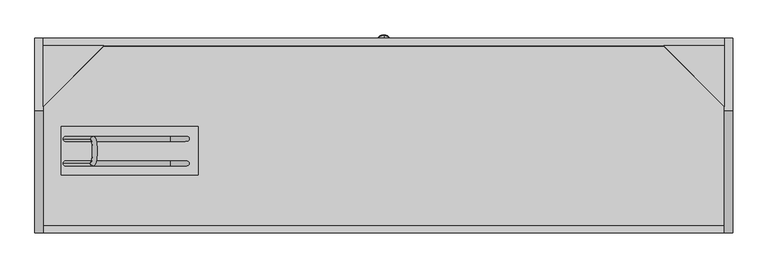
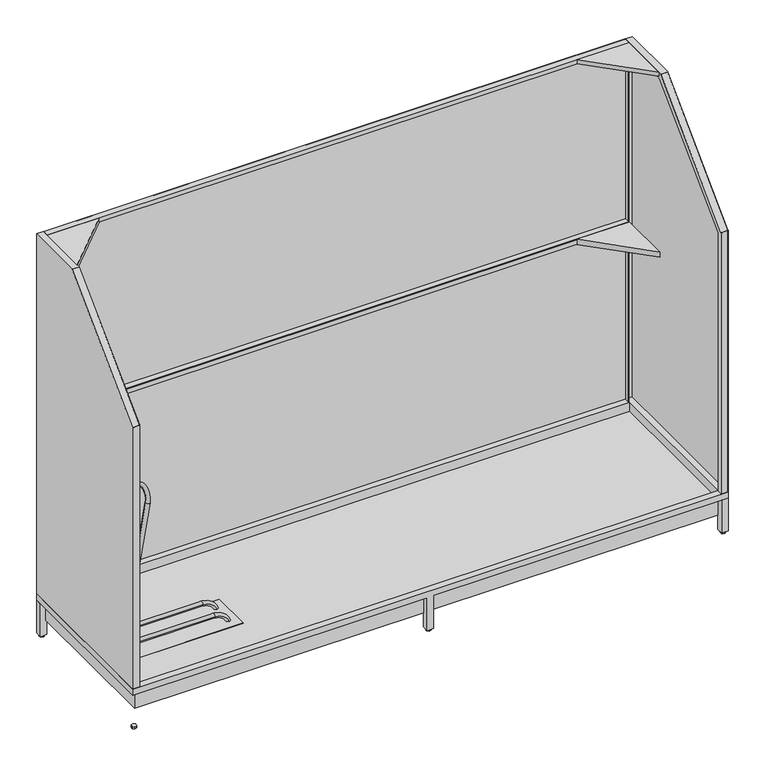
"""IFC4 building model written with IfcOpenShell, lengths in millimetres: proxy geometry."""

from ifc_helpers import new_model, si_unit, point, frame, frame_2d, origin, place, context, project, spatial, polyline, circle_curve, ellipse_curve, trimmed, segment, composite_curve, outline, extrude, faceted_brep, source, transform, mapped, element, save
from ifc_brep_helpers import plane_surface, cylinder_surface, revolved_surface, advanced_brep


def parking_732872c2(model_context):
    return source(origin(), model_context, "Body", "SolidModel", [
        extrude(outline(polyline([(-612.5, 29.0), (-612.5, -131.0), (-1062.5, -131.0), (-1062.5, 29.0), (-612.5, 29.0)])), frame((0.0, 0.0, 142.8), z_axis=(0.0, 0.0, 1.0), x_axis=(1.0, 0.0, 0.0)), (0.0, 0.0, 1.0), 1.0),
        faceted_brep([(1126.0050374, -298.9129636, 77.55), (1126.0050374, 296.0, 77.55), (1126.0050374, 296.0, 152.55), (1126.0050374, -298.9129636, 152.55), (-1129.1366571, -298.9129636, 77.55), (-1129.1366571, -298.9129636, 152.55), (-1129.1366571, 296.0, 152.55), (-1129.1366571, 296.0, 77.55), (12.5, -298.9129636, 77.55), (12.5, -296.5, 77.55), (-12.5, -296.5, 77.55), (-12.5, -298.9129636, 77.55), (-12.5, 296.0, 77.55), (-12.5, 295.0, 77.55), (12.5, 295.0, 77.55), (12.5, 296.0, 77.55), (12.5, 296.0, 152.55), (-12.5, 296.0, 152.55), (12.5, -298.9129636, 152.55), (-12.5, -298.9129636, 152.55), (-1125.0, 295.0, 141.8), (-1125.0, -296.5, 141.8), (-12.5, -296.5, 141.8), (12.5, -296.5, 141.8), (1125.0, -296.5, 141.8), (1125.0, 295.0, 141.8), (12.5, 295.0, 141.8), (-12.5, 295.0, 141.8), (-1125.0, 295.0, 177.55), (1125.0, 295.0, 177.55), (-1125.0, -296.5, 177.55), (1125.0, -296.5, 177.55), (12.5, 320.0, 152.55), (1150.0, 320.0, 152.55), (1150.0, -321.5, 152.55), (12.5, -321.5, 152.55), (-12.5, -321.5, 152.55), (-1150.0, -321.5, 152.55), (-1150.0, 320.0, 152.55), (-12.5, 320.0, 152.55), (1150.0, 320.0, 177.55), (-1150.0, 320.0, 177.55), (-1150.0, -321.5, 177.55), (1150.0, -321.5, 177.55), (12.5, 320.0, 17.9), (-12.5, 320.0, 17.9), (-12.5, -321.5, 17.9), (12.5, -321.5, 17.9), (12.5, 295.0, 17.9), (-12.5, 295.0, 17.9), (12.5, -296.5, 17.9), (-12.5, -296.5, 17.9)], [[[0, 1, 2, 3]], [[4, 5, 6, 7]], [[1, 0, 8, 9, 10, 11, 4, 7, 12, 13, 14, 15]], [[2, 1, 15, 16]], [[7, 6, 17, 12]], [[0, 3, 18, 8]], [[5, 4, 11, 19]], [[20, 21, 22, 23, 24, 25, 26, 27]], [[28, 20, 27, 26, 25, 29]], [[21, 20, 28, 30]], [[21, 30, 31, 24, 23, 22]], [[25, 24, 31, 29]], [[3, 2, 16, 32, 33, 34, 35, 18]], [[6, 5, 19, 36, 37, 38, 39, 17]], [[40, 41, 42, 43], [30, 28, 29, 31]], [[41, 38, 37, 42]], [[33, 40, 43, 34]], [[40, 33, 32, 44, 45, 39, 38, 41]], [[34, 43, 42, 37, 36, 46, 47, 35]], [[48, 49, 45, 44]], [[49, 48, 14, 13]], [[45, 49, 13, 12, 17, 39]], [[48, 44, 32, 16, 15, 14]], [[50, 47, 46, 51]], [[50, 51, 10, 9]], [[51, 46, 36, 19, 11, 10]], [[47, 50, 9, 8, 18, 35]]]),
        advanced_brep(
        [(-1056.5603415, -11.53125, 212.135368), (-1040.78779, -11.53125, 209.4471306), (-967.2604572, -11.53125, 736.0798122), (-951.4879057, -11.53125, 733.3915749), (-951.4879057, -92.53125, 733.3915749), (-967.2604572, -92.53125, 736.0798122), (-1056.5603415, -92.53125, 212.135368), (-1040.78779, -92.53125, 209.4471306)],
        [
            (0, 1, circle_curve(frame((-1048.6740658, -11.53125, 210.7912493), z_axis=(-0.16801483408379736, 0.0, -0.9857844670757366), x_axis=(0.9857844670757366, 0.0, -0.16801483408379736)), 8.0)),
            (1, 0, circle_curve(frame((-1048.6740658, -11.53125, 210.7912493), z_axis=(-0.16801483408379736, 0.0, -0.9857844670757366), x_axis=(0.9857844670757366, 0.0, -0.16801483408379736)), 8.0)),
            (0, 2),
            (2, 3, circle_curve(frame((-959.3741815, -11.53125, 734.7356935), z_axis=(-0.16801483408379736, 0.0, -0.9857844670757366), x_axis=(0.9857844670757366, 0.0, -0.16801483408379736)), 8.0)),
            (3, 1),
            (3, 2, circle_curve(frame((-959.3741815, -11.53125, 734.7356935), z_axis=(-0.16801483408379736, 0.0, -0.9857844670757366), x_axis=(0.9857844670757366, 0.0, -0.16801483408379736)), 8.0)),
            (4, 3, circle_curve(frame((-951.4879057, -52.03125, 733.3915749), z_axis=(-0.9857844670757366, 0.0, 0.16801483408379736), x_axis=(0.0, 1.0, 0.0)), 40.5)),
            (2, 5, circle_curve(frame((-967.2604572, -52.03125, 736.0798122), z_axis=(0.9857844670757366, 0.0, -0.16801483408379736), x_axis=(0.0, 1.0, 0.0)), 40.5)),
            (5, 4, circle_curve(frame((-959.3741815, -92.53125, 734.7356935), z_axis=(0.16801483408379736, 0.0, 0.9857844670757366), x_axis=(0.9857844670757366, 0.0, -0.16801483408379736)), 8.0)),
            (4, 5, circle_curve(frame((-959.3741815, -92.53125, 734.7356935), z_axis=(0.16801483408379736, 0.0, 0.9857844670757366), x_axis=(0.9857844670757366, 0.0, -0.16801483408379736)), 8.0)),
            (6, 7, circle_curve(frame((-1048.6740658, -92.53125, 210.7912493), z_axis=(-0.16801483408379733, 0.0, -0.9857844670757367), x_axis=(0.9857844670757367, 0.0, -0.16801483408379733)), 8.0)),
            (7, 6, circle_curve(frame((-1048.6740658, -92.53125, 210.7912493), z_axis=(-0.16801483408379733, 0.0, -0.9857844670757367), x_axis=(0.9857844670757367, 0.0, -0.16801483408379733)), 8.0)),
            (5, 6),
            (7, 4),
        ],
        [
            plane_surface(frame((-23.45822, -11.53125, 36.0558218), z_axis=(-0.16801483408379736, 0.0, -0.9857844670757366), x_axis=(0.9857844670757366, 0.0, -0.16801483408379736))),
            cylinder_surface(frame((-1048.6740658, -11.53125, 210.7912493), z_axis=(-0.16801483408379736, 0.0, -0.9857844670757366), x_axis=(0.9857844670757366, 0.0, -0.16801483408379736)), 8.0),
            revolved_surface(trimmed(ellipse_curve(frame((-959.3741815, -11.53125, 734.7356935), z_axis=(-0.16801483408379736, 0.0, -0.9857844670757366), x_axis=(0.9857844670757366, 0.0, -0.16801483408379736)), 8.0, 8.0), [point((-967.2604572, -11.53125, 736.0798122))], [point((-951.4879057, -11.53125, 733.3915749))], True, "CARTESIAN"), (65.8416643, -52.03125, 560.0002661), (0.9857844670757366, 0.0, -0.16801483408379736)),
            revolved_surface(trimmed(ellipse_curve(frame((-959.3741815, -11.53125, 734.7356935), z_axis=(-0.16801483408379736, 0.0, -0.9857844670757366), x_axis=(0.9857844670757366, 0.0, -0.16801483408379736)), 8.0, 8.0), [point((-951.4879057, -11.53125, 733.3915749))], [point((-967.2604572, -11.53125, 736.0798122))], True, "CARTESIAN"), (65.8416643, -52.03125, 560.0002661), (0.9857844670757366, 0.0, -0.16801483408379736)),
            plane_surface(frame((-23.45822, -92.53125, 36.0558218), z_axis=(-0.16801483408379733, 0.0, -0.9857844670757366), x_axis=(0.9857844670757366, 0.0, -0.16801483408379733))),
            cylinder_surface(frame((-959.3741815, -92.53125, 734.7356935), z_axis=(0.16801483408379733, 0.0, 0.9857844670757367), x_axis=(0.9857844670757367, 0.0, -0.16801483408379733)), 8.0),
        ],
        [
            (0, [[1, 2]]),
            (1, [[-1, 3, 4, 5]]),
            (1, [[-2, -5, 6, -3]]),
            (2, [[7, -4, 8, 9]]),
            (3, [[-8, -6, -7, 10]]),
            (4, [[11, 12]]),
            (5, [[-9, 13, -12, 14]]),
            (5, [[-10, -14, -11, -13]]),
        ],
    ),
        advanced_brep(
        [(-1019.6400513, -84.53125, 182.0343541), (-1019.6400513, -100.53125, 182.0343541), (-704.0812089, -84.53125, 182.0343541), (-704.0812089, -100.53125, 182.0343541), (-648.6864349, -84.53125, 143.8), (-648.6864349, -100.53125, 143.8)],
        [
            (0, 1, circle_curve(frame((-1019.6400513, -92.53125, 182.0343541), z_axis=(-1.0, 0.0, 0.0), x_axis=(0.0, -1.0, 0.0)), 8.0)),
            (1, 0, circle_curve(frame((-1019.6400513, -92.53125, 182.0343541), z_axis=(-1.0, 0.0, 0.0), x_axis=(0.0, -1.0, 0.0)), 8.0)),
            (0, 2),
            (2, 3, circle_curve(frame((-704.0812089, -92.53125, 182.0343541), z_axis=(-1.0, 0.0, 0.0), x_axis=(0.0, -1.0, 0.0)), 8.0)),
            (3, 1),
            (3, 2, circle_curve(frame((-704.0812089, -92.53125, 182.0343541), z_axis=(-1.0, 0.0, 0.0), x_axis=(0.0, -1.0, 0.0)), 8.0)),
            (4, 5, circle_curve(frame((-648.6864349, -92.53125, 143.8), z_axis=(0.3546482754530861, 0.0, -0.9349997864802708), x_axis=(0.0, -1.0, 0.0)), 8.0)),
            (5, 4, circle_curve(frame((-648.6864349, -92.53125, 143.8), z_axis=(0.3546482754530861, 0.0, -0.9349997864802708), x_axis=(0.0, -1.0, 0.0)), 8.0)),
            (5, 3, circle_curve(frame((-704.0812089, -100.53125, 122.788593), z_axis=(0.0, -1.0, 0.0), x_axis=(0.0, 0.0, 1.0)), 59.2457611)),
            (2, 4, circle_curve(frame((-704.0812089, -84.53125, 122.788593), z_axis=(0.0, 1.0, 0.0), x_axis=(0.0, 0.0, 1.0)), 59.2457611)),
        ],
        [
            plane_surface(frame((-1019.6400513, 0.0, 182.0343541), z_axis=(-1.0, 0.0, 0.0), x_axis=(0.0, -1.0, 0.0))),
            cylinder_surface(frame((-1019.6400513, -92.53125, 182.0343541), z_axis=(-1.0, 0.0, 0.0), x_axis=(0.0, -1.0, 0.0)), 8.0),
            plane_surface(frame((-648.6864349, 0.0, 143.8), z_axis=(0.35464827545308614, 0.0, -0.9349997864802708), x_axis=(0.0, -1.0, 0.0))),
            revolved_surface(trimmed(ellipse_curve(frame((-704.0812089, -92.53125, 182.0343541), z_axis=(-1.0, 0.0, 0.0), x_axis=(0.0, -1.0, 0.0)), 8.0, 8.0), [point((-704.0812089, -84.53125, 182.0343541))], [point((-704.0812089, -100.53125, 182.0343541))], True, "CARTESIAN"), (-704.0812089, 0.0, 122.788593), (0.0, 1.0, 0.0)),
            revolved_surface(trimmed(ellipse_curve(frame((-704.0812089, -92.53125, 182.0343541), z_axis=(-1.0, 0.0, 0.0), x_axis=(0.0, -1.0, 0.0)), 8.0, 8.0), [point((-704.0812089, -100.53125, 182.0343541))], [point((-704.0812089, -84.53125, 182.0343541))], True, "CARTESIAN"), (-704.0812089, 0.0, 122.788593), (0.0, 1.0, 0.0)),
        ],
        [
            (0, [[1, 2]]),
            (1, [[-1, 3, 4, 5]]),
            (1, [[-2, -5, 6, -3]]),
            (2, [[7, 8]]),
            (3, [[9, -4, 10, -8]]),
            (4, [[-10, -6, -9, -7]]),
        ],
    ),
        advanced_brep(
        [(-1019.6400513, -3.53125, 182.0343541), (-1019.6400513, -19.53125, 182.0343541), (-704.0812089, -3.53125, 182.0343541), (-704.0812089, -19.53125, 182.0343541), (-648.6864349, -3.53125, 143.8), (-648.6864349, -19.53125, 143.8)],
        [
            (0, 1, circle_curve(frame((-1019.6400513, -11.53125, 182.0343541), z_axis=(-1.0, 0.0, 0.0), x_axis=(0.0, -1.0, 0.0)), 8.0)),
            (1, 0, circle_curve(frame((-1019.6400513, -11.53125, 182.0343541), z_axis=(-1.0, 0.0, 0.0), x_axis=(0.0, -1.0, 0.0)), 8.0)),
            (0, 2),
            (2, 3, circle_curve(frame((-704.0812089, -11.53125, 182.0343541), z_axis=(-1.0, 0.0, 0.0), x_axis=(0.0, -1.0, 0.0)), 8.0)),
            (3, 1),
            (3, 2, circle_curve(frame((-704.0812089, -11.53125, 182.0343541), z_axis=(-1.0, 0.0, 0.0), x_axis=(0.0, -1.0, 0.0)), 8.0)),
            (4, 5, circle_curve(frame((-648.6864349, -11.53125, 143.8), z_axis=(0.3546482754530861, 0.0, -0.9349997864802708), x_axis=(0.0, -1.0, 0.0)), 8.0)),
            (5, 4, circle_curve(frame((-648.6864349, -11.53125, 143.8), z_axis=(0.3546482754530861, 0.0, -0.9349997864802708), x_axis=(0.0, -1.0, 0.0)), 8.0)),
            (5, 3, circle_curve(frame((-704.0812089, -19.53125, 122.788593), z_axis=(0.0, -1.0, 0.0), x_axis=(0.0, 0.0, 1.0)), 59.2457611)),
            (2, 4, circle_curve(frame((-704.0812089, -3.53125, 122.788593), z_axis=(0.0, 1.0, 0.0), x_axis=(0.0, 0.0, 1.0)), 59.2457611)),
        ],
        [
            plane_surface(frame((-1019.6400513, 0.0, 182.0343541), z_axis=(-1.0, 0.0, 0.0), x_axis=(0.0, -1.0, 0.0))),
            cylinder_surface(frame((-1019.6400513, -11.53125, 182.0343541), z_axis=(-1.0, 0.0, 0.0), x_axis=(0.0, -1.0, 0.0)), 8.0),
            plane_surface(frame((-648.6864349, 0.0, 143.8), z_axis=(0.35464827545308614, 0.0, -0.9349997864802708), x_axis=(0.0, -1.0, 0.0))),
            revolved_surface(trimmed(ellipse_curve(frame((-704.0812089, -11.53125, 182.0343541), z_axis=(-1.0, 0.0, 0.0), x_axis=(0.0, -1.0, 0.0)), 8.0, 8.0), [point((-704.0812089, -3.53125, 182.0343541))], [point((-704.0812089, -19.53125, 182.0343541))], True, "CARTESIAN"), (-704.0812089, 0.0, 122.788593), (0.0, 1.0, 0.0)),
            revolved_surface(trimmed(ellipse_curve(frame((-704.0812089, -11.53125, 182.0343541), z_axis=(-1.0, 0.0, 0.0), x_axis=(0.0, -1.0, 0.0)), 8.0, 8.0), [point((-704.0812089, -19.53125, 182.0343541))], [point((-704.0812089, -3.53125, 182.0343541))], True, "CARTESIAN"), (-704.0812089, 0.0, 122.788593), (0.0, 1.0, 0.0)),
        ],
        [
            (0, [[1, 2]]),
            (1, [[-1, 3, 4, 5]]),
            (1, [[-2, -5, 6, -3]]),
            (2, [[7, 8]]),
            (3, [[9, -4, 10, -8]]),
            (4, [[-10, -6, -9, -7]]),
        ],
    ),
        extrude(outline(polyline([(1125.0, 93.0), (923.0, 295.0), (1125.0, 295.0), (1125.0, 93.0)])), frame((0.0, 0.0, 893.55), z_axis=(0.0, 0.0, 1.0), x_axis=(1.0, 0.0, 0.0)), (0.0, 0.0, 1.0), 21.0),
        extrude(outline(polyline([(1123.0, 95.0), (923.0, 295.0), (1123.0, 295.0), (1123.0, 95.0)])), frame((0.0, 0.0, 1631.55), z_axis=(0.0, 0.0, 1.0), x_axis=(1.0, 0.0, 0.0)), (0.0, 0.0, 1.0), 16.0),
        extrude(outline(polyline([(-1125.0, 93.0), (-1125.0, 295.0), (-923.0, 295.0), (-1125.0, 93.0)])), frame((0.0, 0.0, 893.55), z_axis=(0.0, 0.0, 1.0), x_axis=(1.0, 0.0, 0.0)), (0.0, 0.0, 1.0), 21.0),
        extrude(outline(polyline([(-1123.0, 95.0), (-1123.0, 295.0), (-923.0, 295.0), (-1123.0, 95.0)])), frame((0.0, 0.0, 1631.55), z_axis=(0.0, 0.0, 1.0), x_axis=(1.0, 0.0, 0.0)), (0.0, 0.0, 1.0), 16.0),
        extrude(outline(composite_curve([segment(polyline([(320.0, 177.55), (319.0, 177.55), (319.0, 912.55), (296.0, 912.55)]), True, "CONTINUOUS"), segment(trimmed(circle_curve(frame_2d((297.0, 912.55)), 1.0), [point((296.0, 912.55))], [point((297.0, 913.55))], False, "CARTESIAN"), True, "CONTINUOUS"), segment(polyline([(297.0, 913.55), (320.0, 913.55), (320.0, 177.55)]), True, "CONTINUOUS")], self_intersect=False)), frame((-1123.0, 0.0, 0.0), z_axis=(1.0, 0.0, 0.0), x_axis=(0.0, 1.0, 0.0)), (0.0, 0.0, 1.0), 2246.0),
        extrude(outline(composite_curve([segment(polyline([(295.0, 1647.55), (320.0, 1647.55), (320.0, 913.55), (297.0, 913.55)]), True, "CONTINUOUS"), segment(trimmed(circle_curve(frame_2d((297.0, 912.55)), 1.0), [point((297.0, 913.55))], [point((296.0, 912.55))], True, "CARTESIAN"), True, "CONTINUOUS"), segment(polyline([(296.0, 912.55), (296.0, 893.55), (295.0, 893.55), (295.0, 912.55)]), True, "CONTINUOUS"), segment(trimmed(circle_curve(frame_2d((297.0, 912.55)), 2.0), [point((295.0, 912.55))], [point((297.0, 914.55))], False, "CARTESIAN"), True, "CONTINUOUS"), segment(polyline([(297.0, 914.55), (319.0, 914.55), (319.0, 1645.55)]), True, "CONTINUOUS"), segment(trimmed(circle_curve(frame_2d((318.0, 1645.55)), 1.0), [point((319.0, 1645.55))], [point((318.0, 1646.55))], True, "CARTESIAN"), True, "CONTINUOUS"), segment(polyline([(318.0, 1646.55), (297.0, 1646.55)]), True, "CONTINUOUS"), segment(trimmed(circle_curve(frame_2d((297.0, 1645.55)), 1.0), [point((297.0, 1646.55))], [point((296.0, 1645.55))], True, "CARTESIAN"), True, "CONTINUOUS"), segment(polyline([(296.0, 1645.55), (296.0, 1631.55), (295.0, 1631.55), (295.0, 1647.55)]), True, "CONTINUOUS")], self_intersect=False)), frame((-1123.0, 0.0, 0.0), z_axis=(1.0, 0.0, 0.0), x_axis=(0.0, 1.0, 0.0)), (0.0, 0.0, 1.0), 2246.0),
        advanced_brep(
        [(1149.0, 319.0, 177.55), (1149.0, -320.5, 177.55), (1149.0, -320.5, 1244.7083364), (1149.0, -320.2057985, 1245.416749), (1149.0, 82.1204638, 1646.2584126), (1149.0, 82.8262624, 1646.55), (1149.0, 319.0, 1646.55), (1150.0, 320.0, 1647.55), (1150.0, 82.4131312, 1647.55), (1150.0, 81.7073327, 1647.2584126), (1150.0, -321.2057985, 1245.8320457), (1150.0, -321.5, 1245.1236331), (1150.0, -321.5, 177.55), (1150.0, 320.0, 177.55), (1124.0, 320.0, 1647.55), (1123.0, 320.0, 1647.55), (1123.0, 82.4131312, 1647.55), (1124.0, 82.4131312, 1647.55), (1149.0, 82.4131312, 1647.55), (1149.0, 81.7073327, 1647.2584126), (1124.0, 81.7073327, 1647.2584126), (1123.0, 81.7073327, 1647.2584126), (1123.0, -321.2057985, 1245.8320457), (1124.0, -321.2057985, 1245.8320457), (1149.0, -321.2057985, 1245.8320457), (1149.0, -321.5, 1245.1236331), (1123.0, -321.5, 177.55), (1124.0, -321.5, 1245.1236331), (1123.0, -321.5, 1245.1236331), (1123.0, -302.5, 177.55), (1124.0, -302.5, 177.55), (1124.0, -320.5, 177.55), (1124.0, 319.0, 177.55), (1124.0, 298.0, 177.55), (1123.0, 298.0, 177.55), (1123.0, 320.0, 177.55), (1123.0, 298.0, 1625.4792893), (1123.0, 91.5020174, 1625.55), (1123.0, 90.7962189, 1625.2584126), (1123.0, -302.2057985, 1233.7065871), (1123.0, -302.5, 1232.9981745), (1124.0, -320.5, 1244.7083364), (1124.0, -320.2057985, 1245.416749), (1124.0, 82.1204638, 1646.2584126), (1124.0, 82.8262624, 1646.55), (1124.0, 319.0, 1646.55), (1124.0, -302.5, 1232.9981745), (1124.0, -302.2057985, 1233.7065871), (1124.0, 90.7962189, 1625.2584126), (1124.0, 91.5020174, 1625.55), (1124.0, 297.9292893, 1625.55)],
        [
            (0, 1),
            (1, 2),
            (2, 3, circle_curve(frame((1149.0, -319.5, 1244.7083364), z_axis=(-1.0, 0.0, 0.0), x_axis=(0.0, -1.0, 0.0)), 1.0)),
            (3, 4),
            (4, 5, circle_curve(frame((1149.0, 82.8262624, 1645.55), z_axis=(-1.0, 0.0, 0.0), x_axis=(0.0, -1.0, 0.0)), 1.0)),
            (5, 6),
            (6, 0),
            (7, 8),
            (8, 9, circle_curve(frame((1150.0, 82.4131312, 1646.55), z_axis=(1.0, 0.0, 0.0), x_axis=(0.0, -1.0, 0.0)), 1.0)),
            (9, 10),
            (10, 11, circle_curve(frame((1150.0, -320.5, 1245.1236331), z_axis=(1.0, 0.0, 0.0), x_axis=(0.0, -1.0, 0.0)), 1.0)),
            (11, 12),
            (12, 13),
            (13, 7),
            (7, 14),
            (14, 15),
            (15, 16),
            (16, 17),
            (17, 18),
            (18, 8),
            (18, 19, circle_curve(frame((1149.0, 82.4131312, 1646.55), z_axis=(1.0, 0.0, 0.0), x_axis=(0.0, -1.0, 0.0)), 1.0)),
            (19, 9),
            (19, 20),
            (20, 21),
            (21, 22),
            (22, 23),
            (23, 24),
            (24, 10),
            (24, 25, circle_curve(frame((1149.0, -320.5, 1245.1236331), z_axis=(1.0, 0.0, 0.0), x_axis=(0.0, -1.0, 0.0)), 1.0)),
            (25, 11),
            (26, 12),
            (25, 27),
            (27, 28),
            (28, 26),
            (26, 29),
            (29, 30),
            (30, 31),
            (31, 1),
            (0, 32),
            (32, 33),
            (33, 34),
            (34, 35),
            (35, 13),
            (35, 15),
            (34, 36),
            (36, 37),
            (37, 38, circle_curve(frame((1123.0, 91.5020174, 1624.55), z_axis=(1.0, 0.0, 0.0), x_axis=(0.0, -1.0, 0.0)), 1.0)),
            (38, 39),
            (39, 40, circle_curve(frame((1123.0, -301.5, 1232.9981745), z_axis=(1.0, 0.0, 0.0), x_axis=(0.0, -1.0, 0.0)), 1.0)),
            (40, 29),
            (28, 22, circle_curve(frame((1123.0, -320.5, 1245.1236331), z_axis=(-1.0, 0.0, 0.0), x_axis=(0.0, -1.0, 0.0)), 1.0)),
            (21, 16, circle_curve(frame((1123.0, 82.4131312, 1646.55), z_axis=(-1.0, 0.0, 0.0), x_axis=(0.0, -1.0, 0.0)), 1.0)),
            (31, 41),
            (41, 2),
            (3, 42),
            (42, 43),
            (43, 4),
            (5, 44),
            (44, 45),
            (45, 6),
            (45, 32),
            (41, 42, circle_curve(frame((1124.0, -319.5, 1244.7083364), z_axis=(-1.0, 0.0, 0.0), x_axis=(0.0, -1.0, 0.0)), 1.0)),
            (43, 44, circle_curve(frame((1124.0, 82.8262624, 1645.55), z_axis=(-1.0, 0.0, 0.0), x_axis=(0.0, -1.0, 0.0)), 1.0)),
            (30, 46),
            (46, 47, circle_curve(frame((1124.0, -301.5, 1232.9981745), z_axis=(-1.0, 0.0, 0.0), x_axis=(0.0, -1.0, 0.0)), 1.0)),
            (47, 48),
            (48, 49, circle_curve(frame((1124.0, 91.5020174, 1624.55), z_axis=(-1.0, 0.0, 0.0), x_axis=(0.0, -1.0, 0.0)), 1.0)),
            (49, 50),
            (50, 33),
            (40, 46),
            (39, 47),
            (38, 48),
            (37, 49),
            (36, 50),
        ],
        [
            plane_surface(frame((1149.0, 320.0, 177.55), z_axis=(-1.0, 0.0, 0.0), x_axis=(0.0, 0.0, -1.0))),
            plane_surface(frame((1150.0, 320.0, 177.55), z_axis=(1.0, 0.0, 0.0), x_axis=(0.0, 0.0, 1.0))),
            plane_surface(frame((1149.0, 82.4131312, 1647.55), z_axis=(0.0, 0.0, 1.0), x_axis=(1.0, 0.0, 0.0))),
            cylinder_surface(frame((1150.0, 82.4131312, 1646.55), z_axis=(-1.0, 0.0, 0.0), x_axis=(0.0, -1.0, 0.0)), 1.0),
            plane_surface(frame((1149.0, -321.2057985, 1245.8320457), z_axis=(0.0, -0.7057985388763649, 0.708412607538847), x_axis=(1.0, 0.0, 0.0))),
            cylinder_surface(frame((1150.0, -320.5, 1245.1236331), z_axis=(-1.0, 0.0, 0.0), x_axis=(0.0, -1.0, 0.0)), 1.0),
            plane_surface(frame((1149.0, -321.5, 177.55), z_axis=(0.0, -1.0, 0.0), x_axis=(1.0, 0.0, 0.0))),
            plane_surface(frame((1149.0, 320.0, 177.55), z_axis=(0.0, 0.0, -1.0), x_axis=(1.0, 0.0, 0.0))),
            plane_surface(frame((1149.0, 320.0, 1647.55), z_axis=(0.0, 1.0, 0.0), x_axis=(1.0, 0.0, 0.0))),
            plane_surface(frame((1123.0, 320.0, 177.55), z_axis=(-1.0, 0.0, 0.0), x_axis=(0.0, 0.0, -1.0))),
            cylinder_surface(frame((1149.0, 82.4131312, 1646.55), z_axis=(-1.0, 0.0, 0.0), x_axis=(0.0, -1.0, 0.0)), 1.0),
            cylinder_surface(frame((1149.0, -320.5, 1245.1236331), z_axis=(-1.0, 0.0, 0.0), x_axis=(0.0, -1.0, 0.0)), 1.0),
            plane_surface(frame((1123.0, -320.5, 1244.7083364), z_axis=(0.0, 1.0, 0.0), x_axis=(1.0, 0.0, 0.0))),
            plane_surface(frame((1123.0, 82.1204638, 1646.2584126), z_axis=(0.0, 0.7057985388763649, -0.7084126075388469), x_axis=(1.0, 0.0, 0.0))),
            plane_surface(frame((1123.0, 319.0, 1646.55), z_axis=(0.0, 0.0, -1.0), x_axis=(1.0, 0.0, 0.0))),
            plane_surface(frame((1123.0, 319.0, 177.55), z_axis=(0.0, -1.0, 0.0), x_axis=(1.0, 0.0, 0.0))),
            revolved_surface(polyline([(1149.0, -320.5, 1244.7083364), (1124.0, -320.5, 1244.7083364)]), (1149.0, -319.5, 1244.7083364), (1.0, 0.0, 0.0)),
            revolved_surface(polyline([(1149.0, 81.8262624, 1645.55), (1124.0, 81.8262624, 1645.55)]), (1149.0, 82.8262624, 1645.55), (1.0, 0.0, 0.0)),
            plane_surface(frame((1124.0, 320.0, 177.55), z_axis=(1.0, 0.0, 0.0), x_axis=(0.0, 0.0, 1.0))),
            plane_surface(frame((1123.0, -302.5, 1232.9981745), z_axis=(0.0, 1.0, 0.0), x_axis=(1.0, 0.0, 0.0))),
            revolved_surface(polyline([(1124.0, -302.5, 1232.9981745), (1123.0, -302.5, 1232.9981745)]), (1124.0, -301.5, 1232.9981745), (1.0, 0.0, 0.0)),
            plane_surface(frame((1123.0, 90.7962189, 1625.2584126), z_axis=(0.0, 0.705798538876356, -0.7084126075388558), x_axis=(1.0, 0.0, 0.0))),
            revolved_surface(polyline([(1124.0, 90.5020174, 1624.55), (1123.0, 90.5020174, 1624.55)]), (1124.0, 91.5020174, 1624.55), (1.0, 0.0, 0.0)),
            plane_surface(frame((1123.0, 297.9292893, 1625.55), z_axis=(0.0, 0.0, -1.0), x_axis=(1.0, 0.0, 0.0))),
            plane_surface(frame((1123.0, 298.0, 177.55), z_axis=(0.0, -1.0, 0.0), x_axis=(1.0, 0.0, 0.0))),
        ],
        [
            (0, [[1, 2, 3, 4, 5, 6, 7]]),
            (1, [[8, 9, 10, 11, 12, 13, 14]]),
            (2, [[-8, 15, 16, 17, 18, 19, 20]]),
            (3, [[-9, -20, 21, 22]]),
            (4, [[-10, -22, 23, 24, 25, 26, 27, 28]]),
            (5, [[-11, -28, 29, 30]]),
            (6, [[31, -12, -30, 32, 33, 34]]),
            (7, [[-13, -31, 35, 36, 37, 38, -1, 39, 40, 41, 42, 43]]),
            (8, [[-14, -43, 44, -16, -15]]),
            (9, [[-44, -42, 45, 46, 47, 48, 49, 50, -35, -34, 51, -25, 52, -17]]),
            (10, [[-52, -24, -23, -21, -19, -18]]),
            (11, [[-51, -33, -32, -29, -27, -26]]),
            (12, [[-2, -38, 53, 54]]),
            (13, [[-4, 55, 56, 57]]),
            (14, [[-6, 58, 59, 60]]),
            (15, [[-7, -60, 61, -39]]),
            (16, [[-3, -54, 62, -55]]),
            (17, [[-5, -57, 63, -58]]),
            (18, [[64, 65, 66, 67, 68, 69, -40, -61, -59, -63, -56, -62, -53, -37]]),
            (19, [[-50, 70, -64, -36]]),
            (20, [[-49, 71, -65, -70]]),
            (21, [[-48, 72, -66, -71]]),
            (22, [[-47, 73, -67, -72]]),
            (23, [[-46, 74, -68, -73]]),
            (24, [[-45, -41, -69, -74]]),
        ],
    ),
        advanced_brep(
        [(-1149.0, -320.5, 177.55), (-1149.0, 319.0, 177.55), (-1149.0, 319.0, 1646.55), (-1149.0, 82.8262624, 1646.55), (-1149.0, 82.1204638, 1646.2584126), (-1149.0, -320.2057985, 1245.416749), (-1149.0, -320.5, 1244.7083364), (-1150.0, 320.0, 1647.55), (-1150.0, 320.0, 177.55), (-1150.0, -321.5, 177.55), (-1150.0, -321.5, 1245.1236331), (-1150.0, -321.2057985, 1245.8320457), (-1150.0, 81.7073327, 1647.2584126), (-1150.0, 82.4131312, 1647.55), (-1149.0, 82.4131312, 1647.55), (-1124.0, 82.4131312, 1647.55), (-1123.0, 82.4131312, 1647.55), (-1123.0, 320.0, 1647.55), (-1124.0, 320.0, 1647.55), (-1149.0, 81.7073327, 1647.2584126), (-1149.0, -321.2057985, 1245.8320457), (-1124.0, -321.2057985, 1245.8320457), (-1123.0, -321.2057985, 1245.8320457), (-1123.0, 81.7073327, 1647.2584126), (-1124.0, 81.7073327, 1647.2584126), (-1149.0, -321.5, 1245.1236331), (-1123.0, -321.5, 177.55), (-1123.0, -321.5, 1245.1236331), (-1124.0, -321.5, 1245.1236331), (-1123.0, 320.0, 177.55), (-1123.0, 298.0, 177.55), (-1124.0, 298.0, 177.55), (-1124.0, 319.0, 177.55), (-1124.0, -320.5, 177.55), (-1124.0, -302.5, 177.55), (-1123.0, -302.5, 177.55), (-1123.0, -302.5, 1232.9981745), (-1123.0, -302.2057985, 1233.7065871), (-1123.0, 90.7962189, 1625.2584126), (-1123.0, 91.5020174, 1625.55), (-1123.0, 297.9292893, 1625.55), (-1124.0, -320.5, 1244.7083364), (-1124.0, 82.1204638, 1646.2584126), (-1124.0, -320.2057985, 1245.416749), (-1124.0, 319.0, 1646.55), (-1124.0, 82.8262624, 1646.55), (-1124.0, 298.0, 1625.4792893), (-1124.0, 91.5020174, 1625.55), (-1124.0, 90.7962189, 1625.2584126), (-1124.0, -302.2057985, 1233.7065871), (-1124.0, -302.5, 1232.9981745)],
        [
            (0, 1),
            (1, 2),
            (2, 3),
            (3, 4, circle_curve(frame((-1149.0, 82.8262624, 1645.55), z_axis=(1.0, 0.0, 0.0), x_axis=(0.0, -1.0, 0.0)), 1.0)),
            (4, 5),
            (5, 6, circle_curve(frame((-1149.0, -319.5, 1244.7083364), z_axis=(1.0, 0.0, 0.0), x_axis=(0.0, -1.0, 0.0)), 1.0)),
            (6, 0),
            (7, 8),
            (8, 9),
            (9, 10),
            (10, 11, circle_curve(frame((-1150.0, -320.5, 1245.1236331), z_axis=(-1.0, 0.0, 0.0), x_axis=(0.0, -1.0, 0.0)), 1.0)),
            (11, 12),
            (12, 13, circle_curve(frame((-1150.0, 82.4131312, 1646.55), z_axis=(-1.0, 0.0, 0.0), x_axis=(0.0, -1.0, 0.0)), 1.0)),
            (13, 7),
            (13, 14),
            (14, 15),
            (15, 16),
            (16, 17),
            (17, 18),
            (18, 7),
            (12, 19),
            (19, 14, circle_curve(frame((-1149.0, 82.4131312, 1646.55), z_axis=(-1.0, 0.0, 0.0), x_axis=(0.0, -1.0, 0.0)), 1.0)),
            (11, 20),
            (20, 21),
            (21, 22),
            (22, 23),
            (23, 24),
            (24, 19),
            (10, 25),
            (25, 20, circle_curve(frame((-1149.0, -320.5, 1245.1236331), z_axis=(-1.0, 0.0, 0.0), x_axis=(0.0, -1.0, 0.0)), 1.0)),
            (9, 26),
            (26, 27),
            (27, 28),
            (28, 25),
            (8, 29),
            (29, 30),
            (30, 31),
            (31, 32),
            (32, 1),
            (0, 33),
            (33, 34),
            (34, 35),
            (35, 26),
            (17, 29),
            (16, 23, circle_curve(frame((-1123.0, 82.4131312, 1646.55), z_axis=(1.0, 0.0, 0.0), x_axis=(0.0, -1.0, 0.0)), 1.0)),
            (22, 27, circle_curve(frame((-1123.0, -320.5, 1245.1236331), z_axis=(1.0, 0.0, 0.0), x_axis=(0.0, -1.0, 0.0)), 1.0)),
            (35, 36),
            (36, 37, circle_curve(frame((-1123.0, -301.5, 1232.9981745), z_axis=(-1.0, 0.0, 0.0), x_axis=(0.0, -1.0, 0.0)), 1.0)),
            (37, 38),
            (38, 39, circle_curve(frame((-1123.0, 91.5020174, 1624.55), z_axis=(-1.0, 0.0, 0.0), x_axis=(0.0, -1.0, 0.0)), 1.0)),
            (39, 40),
            (40, 30),
            (6, 41),
            (41, 33),
            (4, 42),
            (42, 43),
            (43, 5),
            (2, 44),
            (44, 45),
            (45, 3),
            (32, 44),
            (43, 41, circle_curve(frame((-1124.0, -319.5, 1244.7083364), z_axis=(1.0, 0.0, 0.0), x_axis=(0.0, -1.0, 0.0)), 1.0)),
            (45, 42, circle_curve(frame((-1124.0, 82.8262624, 1645.55), z_axis=(1.0, 0.0, 0.0), x_axis=(0.0, -1.0, 0.0)), 1.0)),
            (31, 46),
            (46, 47),
            (47, 48, circle_curve(frame((-1124.0, 91.5020174, 1624.55), z_axis=(1.0, 0.0, 0.0), x_axis=(0.0, -1.0, 0.0)), 1.0)),
            (48, 49),
            (49, 50, circle_curve(frame((-1124.0, -301.5, 1232.9981745), z_axis=(1.0, 0.0, 0.0), x_axis=(0.0, -1.0, 0.0)), 1.0)),
            (50, 34),
            (50, 36),
            (49, 37),
            (48, 38),
            (47, 39),
            (46, 40),
        ],
        [
            plane_surface(frame((-1149.0, 318.9292893, 1647.55), z_axis=(1.0, 0.0, 0.0), x_axis=(0.0, -1.0, 0.0))),
            plane_surface(frame((-1150.0, 318.9292893, 1647.55), z_axis=(-1.0, 0.0, 0.0), x_axis=(0.0, 1.0, 0.0))),
            plane_surface(frame((-1149.0, 320.0, 1647.55), z_axis=(0.0, 0.0, 1.0), x_axis=(-1.0, 0.0, 0.0))),
            cylinder_surface(frame((-1150.0, 82.4131312, 1646.55), z_axis=(1.0, 0.0, 0.0), x_axis=(0.0, -1.0, 0.0)), 1.0),
            plane_surface(frame((-1149.0, 81.7073327, 1647.2584126), z_axis=(0.0, -0.7057985388763649, 0.708412607538847), x_axis=(-1.0, 0.0, 0.0))),
            cylinder_surface(frame((-1150.0, -320.5, 1245.1236331), z_axis=(1.0, 0.0, 0.0), x_axis=(0.0, -1.0, 0.0)), 1.0),
            plane_surface(frame((-1149.0, -321.5, 1245.1236331), z_axis=(0.0, -1.0, 0.0), x_axis=(-1.0, 0.0, 0.0))),
            plane_surface(frame((-1149.0, -321.5, 177.55), z_axis=(0.0, 0.0, -1.0), x_axis=(-1.0, 0.0, 0.0))),
            plane_surface(frame((-1149.0, 320.0, 177.55), z_axis=(0.0, 1.0, 0.0), x_axis=(-1.0, 0.0, 0.0))),
            plane_surface(frame((-1123.0, 318.9292893, 1647.55), z_axis=(1.0, 0.0, 0.0), x_axis=(0.0, -1.0, 0.0))),
            cylinder_surface(frame((-1149.0, 82.4131312, 1646.55), z_axis=(1.0, 0.0, 0.0), x_axis=(0.0, -1.0, 0.0)), 1.0),
            cylinder_surface(frame((-1149.0, -320.5, 1245.1236331), z_axis=(1.0, 0.0, 0.0), x_axis=(0.0, -1.0, 0.0)), 1.0),
            plane_surface(frame((-1123.0, -320.5, 177.55), z_axis=(0.0, 1.0, 0.0), x_axis=(-1.0, 0.0, 0.0))),
            plane_surface(frame((-1123.0, -320.2057985, 1245.416749), z_axis=(0.0, 0.7057985388763649, -0.7084126075388469), x_axis=(-1.0, 0.0, 0.0))),
            plane_surface(frame((-1123.0, 82.8262624, 1646.55), z_axis=(0.0, 0.0, -1.0), x_axis=(-1.0, 0.0, 0.0))),
            plane_surface(frame((-1123.0, 319.0, 1646.55), z_axis=(0.0, -1.0, 0.0), x_axis=(-1.0, 0.0, 0.0))),
            revolved_surface(polyline([(-1149.0, -320.5, 1244.7083364), (-1124.0, -320.5, 1244.7083364)]), (-1149.0, -319.5, 1244.7083364), (-1.0, 0.0, 0.0)),
            revolved_surface(polyline([(-1149.0, 81.8262624, 1645.55), (-1124.0, 81.8262624, 1645.55)]), (-1149.0, 82.8262624, 1645.55), (-1.0, 0.0, 0.0)),
            plane_surface(frame((-1124.0, 318.9292893, 1647.55), z_axis=(-1.0, 0.0, 0.0), x_axis=(0.0, 1.0, 0.0))),
            plane_surface(frame((-1123.0, -302.5, 177.55), z_axis=(0.0, 1.0, 0.0), x_axis=(-1.0, 0.0, 0.0))),
            revolved_surface(polyline([(-1124.0, -302.5, 1232.9981745), (-1123.0, -302.5, 1232.9981745)]), (-1124.0, -301.5, 1232.9981745), (-1.0, 0.0, 0.0)),
            plane_surface(frame((-1123.0, -302.2057985, 1233.7065871), z_axis=(0.0, 0.705798538876356, -0.7084126075388558), x_axis=(-1.0, 0.0, 0.0))),
            revolved_surface(polyline([(-1124.0, 90.5020174, 1624.55), (-1123.0, 90.5020174, 1624.55)]), (-1124.0, 91.5020174, 1624.55), (-1.0, 0.0, 0.0)),
            plane_surface(frame((-1123.0, 91.5020174, 1625.55), z_axis=(0.0, 0.0, -1.0), x_axis=(-1.0, 0.0, 0.0))),
            plane_surface(frame((-1123.0, 298.0, 1625.4792893), z_axis=(0.0, -1.0, 0.0), x_axis=(-1.0, 0.0, 0.0))),
        ],
        [
            (0, [[1, 2, 3, 4, 5, 6, 7]]),
            (1, [[8, 9, 10, 11, 12, 13, 14]]),
            (2, [[-14, 15, 16, 17, 18, 19, 20]]),
            (3, [[-13, 21, 22, -15]]),
            (4, [[-12, 23, 24, 25, 26, 27, 28, -21]]),
            (5, [[-11, 29, 30, -23]]),
            (6, [[-10, 31, 32, 33, 34, -29]]),
            (7, [[-9, 35, 36, 37, 38, 39, -1, 40, 41, 42, 43, -31]]),
            (8, [[-35, -8, -20, -19, 44]]),
            (9, [[-18, 45, -26, 46, -32, -43, 47, 48, 49, 50, 51, 52, -36, -44]]),
            (10, [[-45, -17, -16, -22, -28, -27]]),
            (11, [[-46, -25, -24, -30, -34, -33]]),
            (12, [[-7, 53, 54, -40]]),
            (13, [[-5, 55, 56, 57]]),
            (14, [[-3, 58, 59, 60]]),
            (15, [[-2, -39, 61, -58]]),
            (16, [[-6, -57, 62, -53]]),
            (17, [[-4, -60, 63, -55]]),
            (18, [[64, 65, 66, 67, 68, 69, -41, -54, -62, -56, -63, -59, -61, -38]]),
            (19, [[-47, -42, -69, 70]]),
            (20, [[-48, -70, -68, 71]]),
            (21, [[-49, -71, -67, 72]]),
            (22, [[-50, -72, -66, 73]]),
            (23, [[-51, -73, -65, 74]]),
            (24, [[-52, -74, -64, -37]]),
        ],
    ),
        extrude(outline(composite_curve([segment(polyline([(1144.4102819, 300.9236786), (1136.2428886, 298.0438025)]), True, "CONTINUOUS"), segment(trimmed(circle_curve(frame_2d((1135.9103491, 298.9868919)), 1.0), [point((1136.2428886, 298.0438025))], [point((1135.2598795, 298.2273596))], False, "CARTESIAN"), True, "CONTINUOUS"), segment(polyline([(1135.2598795, 298.2273596), (1128.682137, 303.8605917)]), True, "CONTINUOUS"), segment(trimmed(circle_curve(frame_2d((1129.3326067, 304.620124)), 1.0), [point((1128.682137, 303.8605917))], [point((1128.3495976, 304.803681))], False, "CARTESIAN"), True, "CONTINUOUS"), segment(polyline([(1128.3495976, 304.803681), (1129.9392485, 313.3167892)]), True, "CONTINUOUS"), segment(trimmed(circle_curve(frame_2d((1130.9222575, 313.1332321)), 1.0), [point((1129.9392485, 313.3167892))], [point((1130.5897181, 314.0763214))], False, "CARTESIAN"), True, "CONTINUOUS"), segment(polyline([(1130.5897181, 314.0763214), (1138.7571114, 316.9561975)]), True, "CONTINUOUS"), segment(trimmed(circle_curve(frame_2d((1139.0896509, 316.0131081)), 1.0), [point((1138.7571114, 316.9561975))], [point((1139.7401205, 316.7726404))], False, "CARTESIAN"), True, "CONTINUOUS"), segment(polyline([(1139.7401205, 316.7726404), (1146.317863, 311.1394083)]), True, "CONTINUOUS"), segment(trimmed(circle_curve(frame_2d((1145.6673933, 310.379876)), 1.0), [point((1146.317863, 311.1394083))], [point((1146.6504024, 310.196319))], False, "CARTESIAN"), True, "CONTINUOUS"), segment(polyline([(1146.6504024, 310.196319), (1145.0607515, 301.6832108)]), True, "CONTINUOUS"), segment(trimmed(circle_curve(frame_2d((1144.0777425, 301.8667679)), 1.0), [point((1145.0607515, 301.6832108))], [point((1144.4102819, 300.9236786))], False, "CARTESIAN"), True, "CONTINUOUS")], self_intersect=False)), frame((0.0, 0.0, 10.0), z_axis=(0.0, 0.0, 1.0), x_axis=(1.0, 0.0, 0.0)), (0.0, 0.0, 1.0), 7.9),
        extrude(outline(polyline([(1125.0, 295.0), (1125.0, 320.0), (1150.0, 320.0), (1150.0, 295.0), (1125.0, 295.0)])), frame((0.0, 0.0, 17.9), z_axis=(0.0, 0.0, 1.0), x_axis=(1.0, 0.0, 0.0)), (0.0, 0.0, 1.0), 134.65),
        extrude(outline(composite_curve([segment(trimmed(circle_curve(frame_2d((-6.5777425, 301.8667679)), 1.0), [point((-6.9102819, 300.9236786))], [point((-7.5607515, 301.6832108))], False, "CARTESIAN"), True, "CONTINUOUS"), segment(polyline([(-7.5607515, 301.6832108), (-9.1504024, 310.196319)]), True, "CONTINUOUS"), segment(trimmed(circle_curve(frame_2d((-8.1673933, 310.379876)), 1.0), [point((-9.1504024, 310.196319))], [point((-8.817863, 311.1394083))], False, "CARTESIAN"), True, "CONTINUOUS"), segment(polyline([(-8.817863, 311.1394083), (-2.2401205, 316.7726404)]), True, "CONTINUOUS"), segment(trimmed(circle_curve(frame_2d((-1.5896509, 316.0131081)), 1.0), [point((-2.2401205, 316.7726404))], [point((-1.2571114, 316.9561975))], False, "CARTESIAN"), True, "CONTINUOUS"), segment(polyline([(-1.2571114, 316.9561975), (6.9102819, 314.0763214)]), True, "CONTINUOUS"), segment(trimmed(circle_curve(frame_2d((6.5777425, 313.1332321)), 1.0), [point((6.9102819, 314.0763214))], [point((7.5607515, 313.3167892))], False, "CARTESIAN"), True, "CONTINUOUS"), segment(polyline([(7.5607515, 313.3167892), (9.1504024, 304.803681)]), True, "CONTINUOUS"), segment(trimmed(circle_curve(frame_2d((8.1673933, 304.620124)), 1.0), [point((9.1504024, 304.803681))], [point((8.817863, 303.8605917))], False, "CARTESIAN"), True, "CONTINUOUS"), segment(polyline([(8.817863, 303.8605917), (2.2401205, 298.2273596)]), True, "CONTINUOUS"), segment(trimmed(circle_curve(frame_2d((1.5896509, 298.9868919)), 1.0), [point((2.2401205, 298.2273596))], [point((1.2571114, 298.0438025))], False, "CARTESIAN"), True, "CONTINUOUS"), segment(polyline([(1.2571114, 298.0438025), (-6.9102819, 300.9236786)]), True, "CONTINUOUS")], self_intersect=False)), frame((0.0, 0.0, 10.0), z_axis=(0.0, 0.0, 1.0), x_axis=(1.0, 0.0, 0.0)), (0.0, 0.0, 1.0), 7.9),
        extrude(outline(composite_curve([segment(trimmed(circle_curve(frame_2d((-1144.0777425, 301.8667679)), 1.0), [point((-1144.4102819, 300.9236786))], [point((-1145.0607515, 301.6832108))], False, "CARTESIAN"), True, "CONTINUOUS"), segment(polyline([(-1145.0607515, 301.6832108), (-1146.6504024, 310.196319)]), True, "CONTINUOUS"), segment(trimmed(circle_curve(frame_2d((-1145.6673933, 310.379876)), 1.0), [point((-1146.6504024, 310.196319))], [point((-1146.317863, 311.1394083))], False, "CARTESIAN"), True, "CONTINUOUS"), segment(polyline([(-1146.317863, 311.1394083), (-1139.7401205, 316.7726404)]), True, "CONTINUOUS"), segment(trimmed(circle_curve(frame_2d((-1139.0896509, 316.0131081)), 1.0), [point((-1139.7401205, 316.7726404))], [point((-1138.7571114, 316.9561975))], False, "CARTESIAN"), True, "CONTINUOUS"), segment(polyline([(-1138.7571114, 316.9561975), (-1130.5897181, 314.0763214)]), True, "CONTINUOUS"), segment(trimmed(circle_curve(frame_2d((-1130.9222575, 313.1332321)), 1.0), [point((-1130.5897181, 314.0763214))], [point((-1129.9392485, 313.3167892))], False, "CARTESIAN"), True, "CONTINUOUS"), segment(polyline([(-1129.9392485, 313.3167892), (-1128.3495976, 304.803681)]), True, "CONTINUOUS"), segment(trimmed(circle_curve(frame_2d((-1129.3326067, 304.620124)), 1.0), [point((-1128.3495976, 304.803681))], [point((-1128.682137, 303.8605917))], False, "CARTESIAN"), True, "CONTINUOUS"), segment(polyline([(-1128.682137, 303.8605917), (-1135.2598795, 298.2273596)]), True, "CONTINUOUS"), segment(trimmed(circle_curve(frame_2d((-1135.9103491, 298.9868919)), 1.0), [point((-1135.2598795, 298.2273596))], [point((-1136.2428886, 298.0438025))], False, "CARTESIAN"), True, "CONTINUOUS"), segment(polyline([(-1136.2428886, 298.0438025), (-1144.4102819, 300.9236786)]), True, "CONTINUOUS")], self_intersect=False)), frame((0.0, 0.0, 10.0), z_axis=(0.0, 0.0, 1.0), x_axis=(1.0, 0.0, 0.0)), (0.0, 0.0, 1.0), 7.9),
        advanced_brep(
        [(0.0, 307.5, 0.0), (0.0, 284.5, 0.0), (0.0, 330.5, 0.0), (0.0, 283.5, 1.0), (0.0, 331.5, 1.0), (0.0, 283.5, 4.3195147), (0.0, 331.5, 4.3195147), (0.0, 284.135058, 5.250545), (0.0, 330.864942, 5.250545), (0.0, 295.8118562, 9.8275756), (0.0, 319.1881438, 9.8275756), (0.0, 296.7242112, 10.0), (0.0, 318.2757888, 10.0), (0.0, 307.5, 10.0)],
        [
            (0, 1),
            (1, 2, circle_curve(frame((0.0, 307.5, 0.0), z_axis=(0.0, 0.0, -1.0), x_axis=(0.0, -1.0, 0.0)), 23.0)),
            (2, 0),
            (2, 1, circle_curve(frame((0.0, 307.5, 0.0), z_axis=(0.0, 0.0, -1.0), x_axis=(0.0, -1.0, 0.0)), 23.0)),
            (1, 3, circle_curve(frame((0.0, 284.5, 1.0), z_axis=(-1.0, 0.0, 0.0), x_axis=(0.0, 1.0, 0.0)), 1.0)),
            (3, 4, circle_curve(frame((0.0, 307.5, 1.0), z_axis=(0.0, 0.0, -1.0), x_axis=(0.0, -1.0, 0.0)), 24.0)),
            (4, 2, circle_curve(frame((0.0, 330.5, 1.0), z_axis=(-1.0, 0.0, 0.0), x_axis=(0.0, -1.0, 0.0)), 1.0)),
            (4, 3, circle_curve(frame((0.0, 307.5, 1.0), z_axis=(0.0, 0.0, -1.0), x_axis=(0.0, -1.0, 0.0)), 24.0)),
            (3, 5),
            (5, 6, circle_curve(frame((0.0, 307.5, 4.3195147), z_axis=(0.0, 0.0, -1.0), x_axis=(0.0, -1.0, 0.0)), 24.0)),
            (6, 4),
            (6, 5, circle_curve(frame((0.0, 307.5, 4.3195147), z_axis=(0.0, 0.0, -1.0), x_axis=(0.0, -1.0, 0.0)), 24.0)),
            (5, 7, circle_curve(frame((0.0, 284.5, 4.3195147), z_axis=(-1.0, 0.0, 0.0), x_axis=(0.0, 1.0, 0.0)), 1.0)),
            (7, 8, circle_curve(frame((0.0, 307.5, 5.250545), z_axis=(0.0, 0.0, -1.0), x_axis=(0.0, -1.0, 0.0)), 23.364942)),
            (8, 6, circle_curve(frame((0.0, 330.5, 4.3195147), z_axis=(-1.0, 0.0, 0.0), x_axis=(0.0, -1.0, 0.0)), 1.0)),
            (8, 7, circle_curve(frame((0.0, 307.5, 5.250545), z_axis=(0.0, 0.0, -1.0), x_axis=(0.0, -1.0, 0.0)), 23.364942)),
            (7, 9),
            (9, 10, circle_curve(frame((0.0, 307.5, 9.8275756), z_axis=(0.0, 0.0, -1.0), x_axis=(0.0, -1.0, 0.0)), 11.6881438)),
            (10, 8),
            (10, 9, circle_curve(frame((0.0, 307.5, 9.8275756), z_axis=(0.0, 0.0, -1.0), x_axis=(0.0, -1.0, 0.0)), 11.6881438)),
            (9, 11, circle_curve(frame((0.0, 296.7242112, 7.5), z_axis=(-1.0, 0.0, 0.0), x_axis=(0.0, 1.0, 0.0)), 2.5)),
            (11, 12, circle_curve(frame((0.0, 307.5, 10.0), z_axis=(0.0, 0.0, -1.0), x_axis=(0.0, -1.0, 0.0)), 10.7757888)),
            (12, 10, circle_curve(frame((0.0, 318.2757888, 7.5), z_axis=(-1.0, 0.0, 0.0), x_axis=(0.0, -1.0, 0.0)), 2.5)),
            (12, 11, circle_curve(frame((0.0, 307.5, 10.0), z_axis=(0.0, 0.0, -1.0), x_axis=(0.0, -1.0, 0.0)), 10.7757888)),
            (11, 13),
            (13, 12),
        ],
        [
            plane_surface(frame((0.0, 307.5, 0.0), z_axis=(0.0, 0.0, -1.0), x_axis=(0.0, -1.0, 0.0))),
            revolved_surface(trimmed(ellipse_curve(frame((0.0, 284.5, 1.0), z_axis=(1.0, 0.0, 0.0), x_axis=(0.0, 1.0, 0.0)), 1.0, 1.0), [point((0.0, 283.5, 1.0))], [point((0.0, 284.5, 0.0))], True, "CARTESIAN"), (0.0, 307.5, 17.9), (0.0, 0.0, -1.0)),
            cylinder_surface(frame((0.0, 307.5, 17.9), z_axis=(0.0, 0.0, -1.0), x_axis=(0.0, -1.0, 0.0)), 24.0),
            revolved_surface(trimmed(ellipse_curve(frame((0.0, 284.5, 4.3195147), z_axis=(1.0, 0.0, 0.0), x_axis=(0.0, 1.0, 0.0)), 1.0, 1.0), [point((0.0, 284.135058, 5.250545))], [point((0.0, 283.5, 4.3195147))], True, "CARTESIAN"), (0.0, 307.5, 17.9), (0.0, 0.0, -1.0)),
            revolved_surface(polyline([(0.0, 295.8118562, 9.8275756), (0.0, 284.135058, 5.250545)]), (0.0, 307.5, 17.9), (0.0, 0.0, -1.0)),
            revolved_surface(trimmed(ellipse_curve(frame((0.0, 296.7242112, 7.5), z_axis=(1.0, 0.0, 0.0), x_axis=(0.0, 1.0, 0.0)), 2.5, 2.5), [point((0.0, 296.7242112, 10.0))], [point((0.0, 295.8118562, 9.8275756))], True, "CARTESIAN"), (0.0, 307.5, 17.9), (0.0, 0.0, -1.0)),
            plane_surface(frame((0.0, 307.5, 10.0), z_axis=(0.0, 0.0, 1.0), x_axis=(0.0, -1.0, 0.0))),
        ],
        [
            (0, [[1, 2, 3]]),
            (0, [[-3, 4, -1]]),
            (1, [[-2, 5, 6, 7]]),
            (1, [[-4, -7, 8, -5]]),
            (2, [[-6, 9, 10, 11]]),
            (2, [[-8, -11, 12, -9]]),
            (3, [[-10, 13, 14, 15]]),
            (3, [[-12, -15, 16, -13]]),
            (4, [[-14, 17, 18, 19]]),
            (4, [[-16, -19, 20, -17]]),
            (5, [[-18, 21, 22, 23]]),
            (5, [[-20, -23, 24, -21]]),
            (6, [[-22, 25, 26]]),
            (6, [[-24, -26, -25]]),
        ],
    ),
        extrude(outline(polyline([(-1125.0, 295.0), (-1150.0, 295.0), (-1150.0, 320.0), (-1125.0, 320.0), (-1125.0, 295.0)])), frame((0.0, 0.0, 17.9), z_axis=(0.0, 0.0, 1.0), x_axis=(1.0, 0.0, 0.0)), (0.0, 0.0, 1.0), 134.65),
        extrude(outline(composite_curve([segment(trimmed(circle_curve(frame_2d((1144.0777425, -303.3667679)), 1.0), [point((1144.4102819, -302.4236786))], [point((1145.0607515, -303.1832108))], False, "CARTESIAN"), True, "CONTINUOUS"), segment(polyline([(1145.0607515, -303.1832108), (1146.6504024, -311.696319)]), True, "CONTINUOUS"), segment(trimmed(circle_curve(frame_2d((1145.6673933, -311.879876)), 1.0), [point((1146.6504024, -311.696319))], [point((1146.317863, -312.6394083))], False, "CARTESIAN"), True, "CONTINUOUS"), segment(polyline([(1146.317863, -312.6394083), (1139.7401205, -318.2726404)]), True, "CONTINUOUS"), segment(trimmed(circle_curve(frame_2d((1139.0896509, -317.5131081)), 1.0), [point((1139.7401205, -318.2726404))], [point((1138.7571114, -318.4561975))], False, "CARTESIAN"), True, "CONTINUOUS"), segment(polyline([(1138.7571114, -318.4561975), (1130.5897181, -315.5763214)]), True, "CONTINUOUS"), segment(trimmed(circle_curve(frame_2d((1130.9222575, -314.6332321)), 1.0), [point((1130.5897181, -315.5763214))], [point((1129.9392485, -314.8167892))], False, "CARTESIAN"), True, "CONTINUOUS"), segment(polyline([(1129.9392485, -314.8167892), (1128.3495976, -306.303681)]), True, "CONTINUOUS"), segment(trimmed(circle_curve(frame_2d((1129.3326067, -306.120124)), 1.0), [point((1128.3495976, -306.303681))], [point((1128.682137, -305.3605917))], False, "CARTESIAN"), True, "CONTINUOUS"), segment(polyline([(1128.682137, -305.3605917), (1135.2598795, -299.7273596)]), True, "CONTINUOUS"), segment(trimmed(circle_curve(frame_2d((1135.9103491, -300.4868919)), 1.0), [point((1135.2598795, -299.7273596))], [point((1136.2428886, -299.5438025))], False, "CARTESIAN"), True, "CONTINUOUS"), segment(polyline([(1136.2428886, -299.5438025), (1144.4102819, -302.4236786)]), True, "CONTINUOUS")], self_intersect=False)), frame((0.0, 0.0, 10.0), z_axis=(0.0, 0.0, 1.0), x_axis=(1.0, 0.0, 0.0)), (0.0, 0.0, 1.0), 7.9),
        extrude(outline(polyline([(1125.0, -296.5), (1150.0, -296.5), (1150.0, -321.5), (1125.0, -321.5), (1125.0, -296.5)])), frame((0.0, 0.0, 17.9), z_axis=(0.0, 0.0, 1.0), x_axis=(1.0, 0.0, 0.0)), (0.0, 0.0, 1.0), 134.65),
        extrude(outline(composite_curve([segment(polyline([(-6.9102819, -302.4236786), (1.2571114, -299.5438025)]), True, "CONTINUOUS"), segment(trimmed(circle_curve(frame_2d((1.5896509, -300.4868919)), 1.0), [point((1.2571114, -299.5438025))], [point((2.2401205, -299.7273596))], False, "CARTESIAN"), True, "CONTINUOUS"), segment(polyline([(2.2401205, -299.7273596), (8.817863, -305.3605917)]), True, "CONTINUOUS"), segment(trimmed(circle_curve(frame_2d((8.1673933, -306.120124)), 1.0), [point((8.817863, -305.3605917))], [point((9.1504024, -306.303681))], False, "CARTESIAN"), True, "CONTINUOUS"), segment(polyline([(9.1504024, -306.303681), (7.5607515, -314.8167892)]), True, "CONTINUOUS"), segment(trimmed(circle_curve(frame_2d((6.5777425, -314.6332321)), 1.0), [point((7.5607515, -314.8167892))], [point((6.9102819, -315.5763214))], False, "CARTESIAN"), True, "CONTINUOUS"), segment(polyline([(6.9102819, -315.5763214), (-1.2571114, -318.4561975)]), True, "CONTINUOUS"), segment(trimmed(circle_curve(frame_2d((-1.5896509, -317.5131081)), 1.0), [point((-1.2571114, -318.4561975))], [point((-2.2401205, -318.2726404))], False, "CARTESIAN"), True, "CONTINUOUS"), segment(polyline([(-2.2401205, -318.2726404), (-8.817863, -312.6394083)]), True, "CONTINUOUS"), segment(trimmed(circle_curve(frame_2d((-8.1673933, -311.879876)), 1.0), [point((-8.817863, -312.6394083))], [point((-9.1504024, -311.696319))], False, "CARTESIAN"), True, "CONTINUOUS"), segment(polyline([(-9.1504024, -311.696319), (-7.5607515, -303.1832108)]), True, "CONTINUOUS"), segment(trimmed(circle_curve(frame_2d((-6.5777425, -303.3667679)), 1.0), [point((-7.5607515, -303.1832108))], [point((-6.9102819, -302.4236786))], False, "CARTESIAN"), True, "CONTINUOUS")], self_intersect=False)), frame((0.0, 0.0, 10.0), z_axis=(0.0, 0.0, 1.0), x_axis=(1.0, 0.0, 0.0)), (0.0, 0.0, 1.0), 7.9),
        extrude(outline(composite_curve([segment(polyline([(-1144.4102819, -302.4236786), (-1136.2428886, -299.5438025)]), True, "CONTINUOUS"), segment(trimmed(circle_curve(frame_2d((-1135.9103491, -300.4868919)), 1.0), [point((-1136.2428886, -299.5438025))], [point((-1135.2598795, -299.7273596))], False, "CARTESIAN"), True, "CONTINUOUS"), segment(polyline([(-1135.2598795, -299.7273596), (-1128.682137, -305.3605917)]), True, "CONTINUOUS"), segment(trimmed(circle_curve(frame_2d((-1129.3326067, -306.120124)), 1.0), [point((-1128.682137, -305.3605917))], [point((-1128.3495976, -306.303681))], False, "CARTESIAN"), True, "CONTINUOUS"), segment(polyline([(-1128.3495976, -306.303681), (-1129.9392485, -314.8167892)]), True, "CONTINUOUS"), segment(trimmed(circle_curve(frame_2d((-1130.9222575, -314.6332321)), 1.0), [point((-1129.9392485, -314.8167892))], [point((-1130.5897181, -315.5763214))], False, "CARTESIAN"), True, "CONTINUOUS"), segment(polyline([(-1130.5897181, -315.5763214), (-1138.7571114, -318.4561975)]), True, "CONTINUOUS"), segment(trimmed(circle_curve(frame_2d((-1139.0896509, -317.5131081)), 1.0), [point((-1138.7571114, -318.4561975))], [point((-1139.7401205, -318.2726404))], False, "CARTESIAN"), True, "CONTINUOUS"), segment(polyline([(-1139.7401205, -318.2726404), (-1146.317863, -312.6394083)]), True, "CONTINUOUS"), segment(trimmed(circle_curve(frame_2d((-1145.6673933, -311.879876)), 1.0), [point((-1146.317863, -312.6394083))], [point((-1146.6504024, -311.696319))], False, "CARTESIAN"), True, "CONTINUOUS"), segment(polyline([(-1146.6504024, -311.696319), (-1145.0607515, -303.1832108)]), True, "CONTINUOUS"), segment(trimmed(circle_curve(frame_2d((-1144.0777425, -303.3667679)), 1.0), [point((-1145.0607515, -303.1832108))], [point((-1144.4102819, -302.4236786))], False, "CARTESIAN"), True, "CONTINUOUS")], self_intersect=False)), frame((0.0, 0.0, 10.0), z_axis=(0.0, 0.0, 1.0), x_axis=(1.0, 0.0, 0.0)), (0.0, 0.0, 1.0), 7.9),
    ])


if __name__ == "__main__":
    model = new_model("IFC4")
    model_context = context("Model", 3, world=origin())
    ifc_project = project(units=[si_unit("LENGTHUNIT", "METRE", prefix="MILLI")], contexts=[model_context])
    site = spatial("IfcSite", under=ifc_project)
    building = spatial("IfcBuilding", under=site)
    placement = place(None, origin())
    parking_shape = parking_732872c2(model_context)
    element("IfcBuildingElementProxy", 1, Name="Parking", at=placement, inside=building, context=model_context, shape_type="MappedRepresentation", body=[
        mapped(parking_shape, transform((0.0, 0.0, 0.0), x_axis=(1.0, 0.0, 0.0), y_axis=(0.0, 1.0, 0.0), z_axis=(0.0, 0.0, 1.0))),
    ])
    save(model, "model.ifc")
